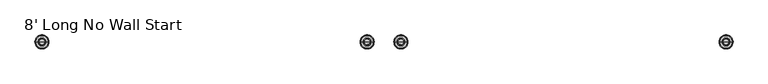
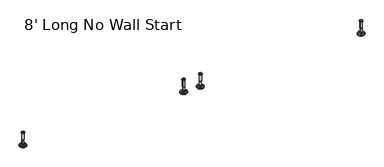
"""IFC4 building model written with IfcOpenShell, lengths in millimetres: furniture geometry, 8' Long No Wall Start."""

from ifc_helpers import new_model, si_unit, frame, origin, place, context, project, spatial, polyline, circle_curve, source, transform, mapped, element, save
from ifc_brep_helpers import plane_surface, cylinder_surface, revolved_surface, advanced_brep


def furniture_8_long_no_wall_start_ca570665(model_context):
    return source(origin(), model_context, "Body", "AdvancedBrep", [
        advanced_brep(
        [(2381.3372135, 0.0, 101.6), (2390.315135, 0.0, 101.6), (2372.3592921, 0.0, 101.6), (2395.4414535, 0.0, 0.0206943), (2381.3372135, 0.0, 0.0206943), (2367.2329736, 0.0, 0.0206943), (2400.3194852, 0.0, 1.4194474), (2362.3549419, 0.0, 1.4194474), (2404.0814003, 0.0, 4.7394056), (2358.5930268, 0.0, 4.7394056), (2405.1988499, 0.0, 7.5051905), (2357.4755772, 0.0, 7.5051905), (2405.1988499, 0.0, 8.3065967), (2357.4755772, 0.0, 8.3065967), (2404.3564467, 0.0, 9.8469348), (2358.3179804, 0.0, 9.8469348), (2403.256304, 0.0, 10.8375077), (2359.4181231, 0.0, 10.8375077), (2395.9526088, 0.0, 12.7338946), (2366.7218183, 0.0, 12.7338946), (2388.5344574, 0.0, 13.3828987), (2374.1399696, 0.0, 13.3828987), (2388.5344574, 0.0, 14.1772758), (2374.1399696, 0.0, 14.1772758), (2386.1376646, 0.0, 14.1772758), (2376.5367625, 0.0, 14.1772758), (2386.1376646, 0.0, 18.8098403), (2376.5367625, 0.0, 18.8098403), (2387.1535173, 0.0, 19.8256929), (2375.5209098, 0.0, 19.8256929), (2387.1535173, 0.0, 48.3056352), (2375.5209098, 0.0, 48.3056352), (2388.3770452, 0.0, 49.9293116), (2374.2973819, 0.0, 49.9293116), (2388.3770452, 0.0, 97.327223), (2374.2973819, 0.0, 97.327223), (2389.2581495, 0.0, 97.6479188), (2373.4162776, 0.0, 97.6479188), (2390.3071385, 0.0, 97.6479188), (2372.3672886, 0.0, 97.6479188), (2391.9721684, 0.0, 98.6092242), (2370.7022587, 0.0, 98.6092242), (2391.9721684, 0.0, 100.6043539), (2370.7022587, 0.0, 100.6043539)],
        [
            (0, 1),
            (1, 2, circle_curve(frame((2381.3372135, 0.0, 101.6), z_axis=(0.0, 0.0, 1.0), x_axis=(-1.0, 0.0, 0.0)), 8.9779214)),
            (2, 0),
            (2, 1, circle_curve(frame((2381.3372135, 0.0, 101.6), z_axis=(0.0, 0.0, 1.0), x_axis=(-1.0, 0.0, 0.0)), 8.9779214)),
            (3, 4),
            (4, 5),
            (5, 3, circle_curve(frame((2381.3372135, 0.0, 0.0206943), z_axis=(0.0, 0.0, -1.0), x_axis=(-1.0, 0.0, 0.0)), 14.1042399)),
            (3, 5, circle_curve(frame((2381.3372135, 0.0, 0.0206943), z_axis=(0.0, 0.0, -1.0), x_axis=(-1.0, 0.0, 0.0)), 14.1042399)),
            (6, 3),
            (5, 7),
            (7, 6, circle_curve(frame((2381.3372135, 0.0, 1.4194474), z_axis=(0.0, 0.0, -1.0), x_axis=(-1.0, 0.0, 0.0)), 18.9822717)),
            (6, 7, circle_curve(frame((2381.3372135, 0.0, 1.4194474), z_axis=(0.0, 0.0, -1.0), x_axis=(-1.0, 0.0, 0.0)), 18.9822717)),
            (8, 6),
            (7, 9),
            (9, 8, circle_curve(frame((2381.3372135, 0.0, 4.7394056), z_axis=(0.0, 0.0, -1.0), x_axis=(-1.0, 0.0, 0.0)), 22.7441867)),
            (8, 9, circle_curve(frame((2381.3372135, 0.0, 4.7394056), z_axis=(0.0, 0.0, -1.0), x_axis=(-1.0, 0.0, 0.0)), 22.7441867)),
            (10, 8),
            (9, 11),
            (11, 10, circle_curve(frame((2381.3372135, 0.0, 7.5051905), z_axis=(0.0, 0.0, -1.0), x_axis=(-1.0, 0.0, 0.0)), 23.8616363)),
            (10, 11, circle_curve(frame((2381.3372135, 0.0, 7.5051905), z_axis=(0.0, 0.0, -1.0), x_axis=(-1.0, 0.0, 0.0)), 23.8616363)),
            (12, 10),
            (11, 13),
            (13, 12, circle_curve(frame((2381.3372135, 0.0, 8.3065967), z_axis=(0.0, 0.0, -1.0), x_axis=(-1.0, 0.0, 0.0)), 23.8616363)),
            (12, 13, circle_curve(frame((2381.3372135, 0.0, 8.3065967), z_axis=(0.0, 0.0, -1.0), x_axis=(-1.0, 0.0, 0.0)), 23.8616363)),
            (14, 12),
            (13, 15),
            (15, 14, circle_curve(frame((2381.3372135, 0.0, 9.8469348), z_axis=(0.0, 0.0, -1.0), x_axis=(-1.0, 0.0, 0.0)), 23.0192331)),
            (14, 15, circle_curve(frame((2381.3372135, 0.0, 9.8469348), z_axis=(0.0, 0.0, -1.0), x_axis=(-1.0, 0.0, 0.0)), 23.0192331)),
            (16, 14),
            (15, 17),
            (17, 16, circle_curve(frame((2381.3372135, 0.0, 10.8375077), z_axis=(0.0, 0.0, -1.0), x_axis=(-1.0, 0.0, 0.0)), 21.9190905)),
            (16, 17, circle_curve(frame((2381.3372135, 0.0, 10.8375077), z_axis=(0.0, 0.0, -1.0), x_axis=(-1.0, 0.0, 0.0)), 21.9190905)),
            (18, 16),
            (17, 19),
            (19, 18, circle_curve(frame((2381.3372135, 0.0, 12.7338946), z_axis=(0.0, 0.0, -1.0), x_axis=(-1.0, 0.0, 0.0)), 14.6153953)),
            (18, 19, circle_curve(frame((2381.3372135, 0.0, 12.7338946), z_axis=(0.0, 0.0, -1.0), x_axis=(-1.0, 0.0, 0.0)), 14.6153953)),
            (20, 18),
            (19, 21),
            (21, 20, circle_curve(frame((2381.3372135, 0.0, 13.3828987), z_axis=(0.0, 0.0, -1.0), x_axis=(-1.0, 0.0, 0.0)), 7.1972439)),
            (20, 21, circle_curve(frame((2381.3372135, 0.0, 13.3828987), z_axis=(0.0, 0.0, -1.0), x_axis=(-1.0, 0.0, 0.0)), 7.1972439)),
            (22, 20),
            (21, 23),
            (23, 22, circle_curve(frame((2381.3372135, 0.0, 14.1772758), z_axis=(0.0, 0.0, -1.0), x_axis=(-1.0, 0.0, 0.0)), 7.1972439)),
            (22, 23, circle_curve(frame((2381.3372135, 0.0, 14.1772758), z_axis=(0.0, 0.0, -1.0), x_axis=(-1.0, 0.0, 0.0)), 7.1972439)),
            (24, 22),
            (23, 25),
            (25, 24, circle_curve(frame((2381.3372135, 0.0, 14.1772758), z_axis=(0.0, 0.0, -1.0), x_axis=(-1.0, 0.0, 0.0)), 4.8004511)),
            (24, 25, circle_curve(frame((2381.3372135, 0.0, 14.1772758), z_axis=(0.0, 0.0, -1.0), x_axis=(-1.0, 0.0, 0.0)), 4.8004511)),
            (26, 24),
            (25, 27),
            (27, 26, circle_curve(frame((2381.3372135, 0.0, 18.8098403), z_axis=(0.0, 0.0, -1.0), x_axis=(-1.0, 0.0, 0.0)), 4.8004511)),
            (26, 27, circle_curve(frame((2381.3372135, 0.0, 18.8098403), z_axis=(0.0, 0.0, -1.0), x_axis=(-1.0, 0.0, 0.0)), 4.8004511)),
            (28, 26),
            (27, 29),
            (29, 28, circle_curve(frame((2381.3372135, 0.0, 19.8256929), z_axis=(0.0, 0.0, -1.0), x_axis=(-1.0, 0.0, 0.0)), 5.8163037)),
            (28, 29, circle_curve(frame((2381.3372135, 0.0, 19.8256929), z_axis=(0.0, 0.0, -1.0), x_axis=(-1.0, 0.0, 0.0)), 5.8163037)),
            (30, 28),
            (29, 31),
            (31, 30, circle_curve(frame((2381.3372135, 0.0, 48.3056352), z_axis=(0.0, 0.0, -1.0), x_axis=(-1.0, 0.0, 0.0)), 5.8163037)),
            (30, 31, circle_curve(frame((2381.3372135, 0.0, 48.3056352), z_axis=(0.0, 0.0, -1.0), x_axis=(-1.0, 0.0, 0.0)), 5.8163037)),
            (32, 30),
            (31, 33),
            (33, 32, circle_curve(frame((2381.3372135, 0.0, 49.9293116), z_axis=(0.0, 0.0, -1.0), x_axis=(-1.0, 0.0, 0.0)), 7.0398316)),
            (32, 33, circle_curve(frame((2381.3372135, 0.0, 49.9293116), z_axis=(0.0, 0.0, -1.0), x_axis=(-1.0, 0.0, 0.0)), 7.0398316)),
            (34, 32),
            (33, 35),
            (35, 34, circle_curve(frame((2381.3372135, 0.0, 97.327223), z_axis=(0.0, 0.0, -1.0), x_axis=(-1.0, 0.0, 0.0)), 7.0398316)),
            (34, 35, circle_curve(frame((2381.3372135, 0.0, 97.327223), z_axis=(0.0, 0.0, -1.0), x_axis=(-1.0, 0.0, 0.0)), 7.0398316)),
            (36, 34),
            (35, 37),
            (37, 36, circle_curve(frame((2381.3372135, 0.0, 97.6479188), z_axis=(0.0, 0.0, -1.0), x_axis=(-1.0, 0.0, 0.0)), 7.920936)),
            (36, 37, circle_curve(frame((2381.3372135, 0.0, 97.6479188), z_axis=(0.0, 0.0, -1.0), x_axis=(-1.0, 0.0, 0.0)), 7.920936)),
            (38, 36),
            (37, 39),
            (39, 38, circle_curve(frame((2381.3372135, 0.0, 97.6479188), z_axis=(0.0, 0.0, -1.0), x_axis=(-1.0, 0.0, 0.0)), 8.9699249)),
            (38, 39, circle_curve(frame((2381.3372135, 0.0, 97.6479188), z_axis=(0.0, 0.0, -1.0), x_axis=(-1.0, 0.0, 0.0)), 8.9699249)),
            (40, 38),
            (39, 41),
            (41, 40, circle_curve(frame((2381.3372135, 0.0, 98.6092242), z_axis=(0.0, 0.0, -1.0), x_axis=(-1.0, 0.0, 0.0)), 10.6349548)),
            (40, 41, circle_curve(frame((2381.3372135, 0.0, 98.6092242), z_axis=(0.0, 0.0, -1.0), x_axis=(-1.0, 0.0, 0.0)), 10.6349548)),
            (42, 40),
            (41, 43),
            (43, 42, circle_curve(frame((2381.3372135, 0.0, 100.6043539), z_axis=(0.0, 0.0, -1.0), x_axis=(-1.0, 0.0, 0.0)), 10.6349548)),
            (42, 43, circle_curve(frame((2381.3372135, 0.0, 100.6043539), z_axis=(0.0, 0.0, -1.0), x_axis=(-1.0, 0.0, 0.0)), 10.6349548)),
            (1, 42),
            (43, 2),
        ],
        [
            plane_surface(frame((2381.3372135, 0.0, 101.6), z_axis=(0.0, 0.0, 1.0), x_axis=(-1.0, 0.0, 0.0))),
            plane_surface(frame((2381.3372135, 0.0, 0.0206943), z_axis=(0.0, 0.0, -1.0), x_axis=(-1.0, 0.0, 0.0))),
            revolved_surface(polyline([(2367.2329736, 0.0, 0.0206943), (2362.3549419, 0.0, 1.4194474)]), (2381.3372135, 0.0, 101.6), (0.0, 0.0, 1.0)),
            revolved_surface(polyline([(2362.3549419, 0.0, 1.4194474), (2358.5930268, 0.0, 4.7394056)]), (2381.3372135, 0.0, 101.6), (0.0, 0.0, 1.0)),
            revolved_surface(polyline([(2358.5930268, 0.0, 4.7394056), (2357.4755772, 0.0, 7.5051905)]), (2381.3372135, 0.0, 101.6), (0.0, 0.0, 1.0)),
            cylinder_surface(frame((2381.3372135, 0.0, 101.6), z_axis=(0.0, 0.0, 1.0), x_axis=(-1.0, 0.0, 0.0)), 23.8616363),
            revolved_surface(polyline([(2357.4755772, 0.0, 8.3065967), (2358.3179804, 0.0, 9.8469348)]), (2381.3372135, 0.0, 101.6), (0.0, 0.0, 1.0)),
            revolved_surface(polyline([(2358.3179804, 0.0, 9.8469348), (2359.4181231, 0.0, 10.8375077)]), (2381.3372135, 0.0, 101.6), (0.0, 0.0, 1.0)),
            revolved_surface(polyline([(2359.4181231, 0.0, 10.8375077), (2366.7218183, 0.0, 12.7338946)]), (2381.3372135, 0.0, 101.6), (0.0, 0.0, 1.0)),
            revolved_surface(polyline([(2366.7218183, 0.0, 12.7338946), (2374.1399696, 0.0, 13.3828987)]), (2381.3372135, 0.0, 101.6), (0.0, 0.0, 1.0)),
            cylinder_surface(frame((2381.3372135, 0.0, 101.6), z_axis=(0.0, 0.0, 1.0), x_axis=(-1.0, 0.0, 0.0)), 7.1972439),
            plane_surface(frame((2381.3372135, 0.0, 14.1772758), z_axis=(0.0, 0.0, 1.0), x_axis=(-1.0, 0.0, 0.0))),
            cylinder_surface(frame((2381.3372135, 0.0, 101.6), z_axis=(0.0, 0.0, 1.0), x_axis=(-1.0, 0.0, 0.0)), 4.8004511),
            revolved_surface(polyline([(2376.5367625, 0.0, 18.8098403), (2375.5209098, 0.0, 19.8256929)]), (2381.3372135, 0.0, 101.6), (0.0, 0.0, 1.0)),
            cylinder_surface(frame((2381.3372135, 0.0, 101.6), z_axis=(0.0, 0.0, 1.0), x_axis=(-1.0, 0.0, 0.0)), 5.8163037),
            revolved_surface(polyline([(2375.5209098, 0.0, 48.3056352), (2374.2973819, 0.0, 49.9293116)]), (2381.3372135, 0.0, 101.6), (0.0, 0.0, 1.0)),
            cylinder_surface(frame((2381.3372135, 0.0, 101.6), z_axis=(0.0, 0.0, 1.0), x_axis=(-1.0, 0.0, 0.0)), 7.0398316),
            revolved_surface(polyline([(2374.2973819, 0.0, 97.327223), (2373.4162776, 0.0, 97.6479188)]), (2381.3372135, 0.0, 101.6), (0.0, 0.0, 1.0)),
            plane_surface(frame((2381.3372135, 0.0, 97.6479188), z_axis=(0.0, 0.0, -1.0), x_axis=(-1.0, 0.0, 0.0))),
            revolved_surface(polyline([(2372.3672886, 0.0, 97.6479188), (2370.7022587, 0.0, 98.6092242)]), (2381.3372135, 0.0, 101.6), (0.0, 0.0, 1.0)),
            cylinder_surface(frame((2381.3372135, 0.0, 101.6), z_axis=(0.0, 0.0, 1.0), x_axis=(-1.0, 0.0, 0.0)), 10.6349548),
            revolved_surface(polyline([(2370.7022587, 0.0, 100.6043539), (2372.3592921, 0.0, 101.6)]), (2381.3372135, 0.0, 101.6), (0.0, 0.0, 1.0)),
        ],
        [
            (0, [[1, 2, 3]]),
            (0, [[-3, 4, -1]]),
            (1, [[5, 6, 7]]),
            (1, [[-6, -5, 8]]),
            (2, [[9, -7, 10, 11]]),
            (2, [[-10, -8, -9, 12]]),
            (3, [[13, -11, 14, 15]]),
            (3, [[-14, -12, -13, 16]]),
            (4, [[17, -15, 18, 19]]),
            (4, [[-18, -16, -17, 20]]),
            (5, [[21, -19, 22, 23]]),
            (5, [[-22, -20, -21, 24]]),
            (6, [[25, -23, 26, 27]]),
            (6, [[-26, -24, -25, 28]]),
            (7, [[29, -27, 30, 31]]),
            (7, [[-30, -28, -29, 32]]),
            (8, [[33, -31, 34, 35]]),
            (8, [[-34, -32, -33, 36]]),
            (9, [[37, -35, 38, 39]]),
            (9, [[-38, -36, -37, 40]]),
            (10, [[41, -39, 42, 43]]),
            (10, [[-42, -40, -41, 44]]),
            (11, [[45, -43, 46, 47]]),
            (11, [[-46, -44, -45, 48]]),
            (12, [[49, -47, 50, 51]]),
            (12, [[-50, -48, -49, 52]]),
            (13, [[53, -51, 54, 55]]),
            (13, [[-54, -52, -53, 56]]),
            (14, [[57, -55, 58, 59]]),
            (14, [[-58, -56, -57, 60]]),
            (15, [[61, -59, 62, 63]]),
            (15, [[-62, -60, -61, 64]]),
            (16, [[65, -63, 66, 67]]),
            (16, [[-66, -64, -65, 68]]),
            (17, [[69, -67, 70, 71]]),
            (17, [[-70, -68, -69, 72]]),
            (18, [[73, -71, 74, 75]]),
            (18, [[-74, -72, -73, 76]]),
            (19, [[77, -75, 78, 79]]),
            (19, [[-78, -76, -77, 80]]),
            (20, [[81, -79, 82, 83]]),
            (20, [[-82, -80, -81, 84]]),
            (21, [[85, -83, 86, -2]]),
            (21, [[-86, -84, -85, -4]]),
        ],
    ),
        advanced_brep(
        [(1276.5364323, 0.0, 101.6), (1285.5143537, 0.0, 101.6), (1267.5585109, 0.0, 101.6), (1290.6406722, 0.0, 0.0206943), (1276.5364323, 0.0, 0.0206943), (1262.4321924, 0.0, 0.0206943), (1295.518704, 0.0, 1.4194474), (1257.5541606, 0.0, 1.4194474), (1299.280619, 0.0, 4.7394056), (1253.7922456, 0.0, 4.7394056), (1300.3980686, 0.0, 7.5051905), (1252.674796, 0.0, 7.5051905), (1300.3980686, 0.0, 8.3065967), (1252.674796, 0.0, 8.3065967), (1299.5556654, 0.0, 9.8469348), (1253.5171992, 0.0, 9.8469348), (1298.4555228, 0.0, 10.8375077), (1254.6173418, 0.0, 10.8375077), (1291.1518276, 0.0, 12.7338946), (1261.921037, 0.0, 12.7338946), (1283.7336762, 0.0, 13.3828987), (1269.3391884, 0.0, 13.3828987), (1283.7336762, 0.0, 14.1772758), (1269.3391884, 0.0, 14.1772758), (1281.3368834, 0.0, 14.1772758), (1271.7359812, 0.0, 14.1772758), (1281.3368834, 0.0, 18.8098403), (1271.7359812, 0.0, 18.8098403), (1282.352736, 0.0, 19.8256929), (1270.7201286, 0.0, 19.8256929), (1282.352736, 0.0, 48.3056352), (1270.7201286, 0.0, 48.3056352), (1283.5762639, 0.0, 49.9293116), (1269.4966007, 0.0, 49.9293116), (1283.5762639, 0.0, 97.327223), (1269.4966007, 0.0, 97.327223), (1284.4573683, 0.0, 97.6479188), (1268.6154963, 0.0, 97.6479188), (1285.5063572, 0.0, 97.6479188), (1267.5665074, 0.0, 97.6479188), (1287.1713871, 0.0, 98.6092242), (1265.9014775, 0.0, 98.6092242), (1287.1713871, 0.0, 100.6043539), (1265.9014775, 0.0, 100.6043539)],
        [
            (0, 1),
            (1, 2, circle_curve(frame((1276.5364323, 0.0, 101.6), z_axis=(0.0, 0.0, 1.0), x_axis=(-1.0, 0.0, 0.0)), 8.9779214)),
            (2, 0),
            (2, 1, circle_curve(frame((1276.5364323, 0.0, 101.6), z_axis=(0.0, 0.0, 1.0), x_axis=(-1.0, 0.0, 0.0)), 8.9779214)),
            (3, 4),
            (4, 5),
            (5, 3, circle_curve(frame((1276.5364323, 0.0, 0.0206943), z_axis=(0.0, 0.0, -1.0), x_axis=(-1.0, 0.0, 0.0)), 14.1042399)),
            (3, 5, circle_curve(frame((1276.5364323, 0.0, 0.0206943), z_axis=(0.0, 0.0, -1.0), x_axis=(-1.0, 0.0, 0.0)), 14.1042399)),
            (6, 3),
            (5, 7),
            (7, 6, circle_curve(frame((1276.5364323, 0.0, 1.4194474), z_axis=(0.0, 0.0, -1.0), x_axis=(-1.0, 0.0, 0.0)), 18.9822717)),
            (6, 7, circle_curve(frame((1276.5364323, 0.0, 1.4194474), z_axis=(0.0, 0.0, -1.0), x_axis=(-1.0, 0.0, 0.0)), 18.9822717)),
            (8, 6),
            (7, 9),
            (9, 8, circle_curve(frame((1276.5364323, 0.0, 4.7394056), z_axis=(0.0, 0.0, -1.0), x_axis=(-1.0, 0.0, 0.0)), 22.7441867)),
            (8, 9, circle_curve(frame((1276.5364323, 0.0, 4.7394056), z_axis=(0.0, 0.0, -1.0), x_axis=(-1.0, 0.0, 0.0)), 22.7441867)),
            (10, 8),
            (9, 11),
            (11, 10, circle_curve(frame((1276.5364323, 0.0, 7.5051905), z_axis=(0.0, 0.0, -1.0), x_axis=(-1.0, 0.0, 0.0)), 23.8616363)),
            (10, 11, circle_curve(frame((1276.5364323, 0.0, 7.5051905), z_axis=(0.0, 0.0, -1.0), x_axis=(-1.0, 0.0, 0.0)), 23.8616363)),
            (12, 10),
            (11, 13),
            (13, 12, circle_curve(frame((1276.5364323, 0.0, 8.3065967), z_axis=(0.0, 0.0, -1.0), x_axis=(-1.0, 0.0, 0.0)), 23.8616363)),
            (12, 13, circle_curve(frame((1276.5364323, 0.0, 8.3065967), z_axis=(0.0, 0.0, -1.0), x_axis=(-1.0, 0.0, 0.0)), 23.8616363)),
            (14, 12),
            (13, 15),
            (15, 14, circle_curve(frame((1276.5364323, 0.0, 9.8469348), z_axis=(0.0, 0.0, -1.0), x_axis=(-1.0, 0.0, 0.0)), 23.0192331)),
            (14, 15, circle_curve(frame((1276.5364323, 0.0, 9.8469348), z_axis=(0.0, 0.0, -1.0), x_axis=(-1.0, 0.0, 0.0)), 23.0192331)),
            (16, 14),
            (15, 17),
            (17, 16, circle_curve(frame((1276.5364323, 0.0, 10.8375077), z_axis=(0.0, 0.0, -1.0), x_axis=(-1.0, 0.0, 0.0)), 21.9190905)),
            (16, 17, circle_curve(frame((1276.5364323, 0.0, 10.8375077), z_axis=(0.0, 0.0, -1.0), x_axis=(-1.0, 0.0, 0.0)), 21.9190905)),
            (18, 16),
            (17, 19),
            (19, 18, circle_curve(frame((1276.5364323, 0.0, 12.7338946), z_axis=(0.0, 0.0, -1.0), x_axis=(-1.0, 0.0, 0.0)), 14.6153953)),
            (18, 19, circle_curve(frame((1276.5364323, 0.0, 12.7338946), z_axis=(0.0, 0.0, -1.0), x_axis=(-1.0, 0.0, 0.0)), 14.6153953)),
            (20, 18),
            (19, 21),
            (21, 20, circle_curve(frame((1276.5364323, 0.0, 13.3828987), z_axis=(0.0, 0.0, -1.0), x_axis=(-1.0, 0.0, 0.0)), 7.1972439)),
            (20, 21, circle_curve(frame((1276.5364323, 0.0, 13.3828987), z_axis=(0.0, 0.0, -1.0), x_axis=(-1.0, 0.0, 0.0)), 7.1972439)),
            (22, 20),
            (21, 23),
            (23, 22, circle_curve(frame((1276.5364323, 0.0, 14.1772758), z_axis=(0.0, 0.0, -1.0), x_axis=(-1.0, 0.0, 0.0)), 7.1972439)),
            (22, 23, circle_curve(frame((1276.5364323, 0.0, 14.1772758), z_axis=(0.0, 0.0, -1.0), x_axis=(-1.0, 0.0, 0.0)), 7.1972439)),
            (24, 22),
            (23, 25),
            (25, 24, circle_curve(frame((1276.5364323, 0.0, 14.1772758), z_axis=(0.0, 0.0, -1.0), x_axis=(-1.0, 0.0, 0.0)), 4.8004511)),
            (24, 25, circle_curve(frame((1276.5364323, 0.0, 14.1772758), z_axis=(0.0, 0.0, -1.0), x_axis=(-1.0, 0.0, 0.0)), 4.8004511)),
            (26, 24),
            (25, 27),
            (27, 26, circle_curve(frame((1276.5364323, 0.0, 18.8098403), z_axis=(0.0, 0.0, -1.0), x_axis=(-1.0, 0.0, 0.0)), 4.8004511)),
            (26, 27, circle_curve(frame((1276.5364323, 0.0, 18.8098403), z_axis=(0.0, 0.0, -1.0), x_axis=(-1.0, 0.0, 0.0)), 4.8004511)),
            (28, 26),
            (27, 29),
            (29, 28, circle_curve(frame((1276.5364323, 0.0, 19.8256929), z_axis=(0.0, 0.0, -1.0), x_axis=(-1.0, 0.0, 0.0)), 5.8163037)),
            (28, 29, circle_curve(frame((1276.5364323, 0.0, 19.8256929), z_axis=(0.0, 0.0, -1.0), x_axis=(-1.0, 0.0, 0.0)), 5.8163037)),
            (30, 28),
            (29, 31),
            (31, 30, circle_curve(frame((1276.5364323, 0.0, 48.3056352), z_axis=(0.0, 0.0, -1.0), x_axis=(-1.0, 0.0, 0.0)), 5.8163037)),
            (30, 31, circle_curve(frame((1276.5364323, 0.0, 48.3056352), z_axis=(0.0, 0.0, -1.0), x_axis=(-1.0, 0.0, 0.0)), 5.8163037)),
            (32, 30),
            (31, 33),
            (33, 32, circle_curve(frame((1276.5364323, 0.0, 49.9293116), z_axis=(0.0, 0.0, -1.0), x_axis=(-1.0, 0.0, 0.0)), 7.0398316)),
            (32, 33, circle_curve(frame((1276.5364323, 0.0, 49.9293116), z_axis=(0.0, 0.0, -1.0), x_axis=(-1.0, 0.0, 0.0)), 7.0398316)),
            (34, 32),
            (33, 35),
            (35, 34, circle_curve(frame((1276.5364323, 0.0, 97.327223), z_axis=(0.0, 0.0, -1.0), x_axis=(-1.0, 0.0, 0.0)), 7.0398316)),
            (34, 35, circle_curve(frame((1276.5364323, 0.0, 97.327223), z_axis=(0.0, 0.0, -1.0), x_axis=(-1.0, 0.0, 0.0)), 7.0398316)),
            (36, 34),
            (35, 37),
            (37, 36, circle_curve(frame((1276.5364323, 0.0, 97.6479188), z_axis=(0.0, 0.0, -1.0), x_axis=(-1.0, 0.0, 0.0)), 7.920936)),
            (36, 37, circle_curve(frame((1276.5364323, 0.0, 97.6479188), z_axis=(0.0, 0.0, -1.0), x_axis=(-1.0, 0.0, 0.0)), 7.920936)),
            (38, 36),
            (37, 39),
            (39, 38, circle_curve(frame((1276.5364323, 0.0, 97.6479188), z_axis=(0.0, 0.0, -1.0), x_axis=(-1.0, 0.0, 0.0)), 8.9699249)),
            (38, 39, circle_curve(frame((1276.5364323, 0.0, 97.6479188), z_axis=(0.0, 0.0, -1.0), x_axis=(-1.0, 0.0, 0.0)), 8.9699249)),
            (40, 38),
            (39, 41),
            (41, 40, circle_curve(frame((1276.5364323, 0.0, 98.6092242), z_axis=(0.0, 0.0, -1.0), x_axis=(-1.0, 0.0, 0.0)), 10.6349548)),
            (40, 41, circle_curve(frame((1276.5364323, 0.0, 98.6092242), z_axis=(0.0, 0.0, -1.0), x_axis=(-1.0, 0.0, 0.0)), 10.6349548)),
            (42, 40),
            (41, 43),
            (43, 42, circle_curve(frame((1276.5364323, 0.0, 100.6043539), z_axis=(0.0, 0.0, -1.0), x_axis=(-1.0, 0.0, 0.0)), 10.6349548)),
            (42, 43, circle_curve(frame((1276.5364323, 0.0, 100.6043539), z_axis=(0.0, 0.0, -1.0), x_axis=(-1.0, 0.0, 0.0)), 10.6349548)),
            (1, 42),
            (43, 2),
        ],
        [
            plane_surface(frame((1276.5364323, 0.0, 101.6), z_axis=(0.0, 0.0, 1.0), x_axis=(-1.0, 0.0, 0.0))),
            plane_surface(frame((1276.5364323, 0.0, 0.0206943), z_axis=(0.0, 0.0, -1.0), x_axis=(-1.0, 0.0, 0.0))),
            revolved_surface(polyline([(1262.4321924, 0.0, 0.0206943), (1257.5541606, 0.0, 1.4194474)]), (1276.5364323, 0.0, 101.6), (0.0, 0.0, 1.0)),
            revolved_surface(polyline([(1257.5541606, 0.0, 1.4194474), (1253.7922456, 0.0, 4.7394056)]), (1276.5364323, 0.0, 101.6), (0.0, 0.0, 1.0)),
            revolved_surface(polyline([(1253.7922456, 0.0, 4.7394056), (1252.674796, 0.0, 7.5051905)]), (1276.5364323, 0.0, 101.6), (0.0, 0.0, 1.0)),
            cylinder_surface(frame((1276.5364323, 0.0, 101.6), z_axis=(0.0, 0.0, 1.0), x_axis=(-1.0, 0.0, 0.0)), 23.8616363),
            revolved_surface(polyline([(1252.674796, 0.0, 8.3065967), (1253.5171992, 0.0, 9.8469348)]), (1276.5364323, 0.0, 101.6), (0.0, 0.0, 1.0)),
            revolved_surface(polyline([(1253.5171992, 0.0, 9.8469348), (1254.6173418, 0.0, 10.8375077)]), (1276.5364323, 0.0, 101.6), (0.0, 0.0, 1.0)),
            revolved_surface(polyline([(1254.6173418, 0.0, 10.8375077), (1261.921037, 0.0, 12.7338946)]), (1276.5364323, 0.0, 101.6), (0.0, 0.0, 1.0)),
            revolved_surface(polyline([(1261.921037, 0.0, 12.7338946), (1269.3391884, 0.0, 13.3828987)]), (1276.5364323, 0.0, 101.6), (0.0, 0.0, 1.0)),
            cylinder_surface(frame((1276.5364323, 0.0, 101.6), z_axis=(0.0, 0.0, 1.0), x_axis=(-1.0, 0.0, 0.0)), 7.1972439),
            plane_surface(frame((1276.5364323, 0.0, 14.1772758), z_axis=(0.0, 0.0, 1.0), x_axis=(-1.0, 0.0, 0.0))),
            cylinder_surface(frame((1276.5364323, 0.0, 101.6), z_axis=(0.0, 0.0, 1.0), x_axis=(-1.0, 0.0, 0.0)), 4.8004511),
            revolved_surface(polyline([(1271.7359812, 0.0, 18.8098403), (1270.7201286, 0.0, 19.8256929)]), (1276.5364323, 0.0, 101.6), (0.0, 0.0, 1.0)),
            cylinder_surface(frame((1276.5364323, 0.0, 101.6), z_axis=(0.0, 0.0, 1.0), x_axis=(-1.0, 0.0, 0.0)), 5.8163037),
            revolved_surface(polyline([(1270.7201286, 0.0, 48.3056352), (1269.4966007, 0.0, 49.9293116)]), (1276.5364323, 0.0, 101.6), (0.0, 0.0, 1.0)),
            cylinder_surface(frame((1276.5364323, 0.0, 101.6), z_axis=(0.0, 0.0, 1.0), x_axis=(-1.0, 0.0, 0.0)), 7.0398316),
            revolved_surface(polyline([(1269.4966007, 0.0, 97.327223), (1268.6154963, 0.0, 97.6479188)]), (1276.5364323, 0.0, 101.6), (0.0, 0.0, 1.0)),
            plane_surface(frame((1276.5364323, 0.0, 97.6479188), z_axis=(0.0, 0.0, -1.0), x_axis=(-1.0, 0.0, 0.0))),
            revolved_surface(polyline([(1267.5665074, 0.0, 97.6479188), (1265.9014775, 0.0, 98.6092242)]), (1276.5364323, 0.0, 101.6), (0.0, 0.0, 1.0)),
            cylinder_surface(frame((1276.5364323, 0.0, 101.6), z_axis=(0.0, 0.0, 1.0), x_axis=(-1.0, 0.0, 0.0)), 10.6349548),
            revolved_surface(polyline([(1265.9014775, 0.0, 100.6043539), (1267.5585109, 0.0, 101.6)]), (1276.5364323, 0.0, 101.6), (0.0, 0.0, 1.0)),
        ],
        [
            (0, [[1, 2, 3]]),
            (0, [[-3, 4, -1]]),
            (1, [[5, 6, 7]]),
            (1, [[-6, -5, 8]]),
            (2, [[9, -7, 10, 11]]),
            (2, [[-10, -8, -9, 12]]),
            (3, [[13, -11, 14, 15]]),
            (3, [[-14, -12, -13, 16]]),
            (4, [[17, -15, 18, 19]]),
            (4, [[-18, -16, -17, 20]]),
            (5, [[21, -19, 22, 23]]),
            (5, [[-22, -20, -21, 24]]),
            (6, [[25, -23, 26, 27]]),
            (6, [[-26, -24, -25, 28]]),
            (7, [[29, -27, 30, 31]]),
            (7, [[-30, -28, -29, 32]]),
            (8, [[33, -31, 34, 35]]),
            (8, [[-34, -32, -33, 36]]),
            (9, [[37, -35, 38, 39]]),
            (9, [[-38, -36, -37, 40]]),
            (10, [[41, -39, 42, 43]]),
            (10, [[-42, -40, -41, 44]]),
            (11, [[45, -43, 46, 47]]),
            (11, [[-46, -44, -45, 48]]),
            (12, [[49, -47, 50, 51]]),
            (12, [[-50, -48, -49, 52]]),
            (13, [[53, -51, 54, 55]]),
            (13, [[-54, -52, -53, 56]]),
            (14, [[57, -55, 58, 59]]),
            (14, [[-58, -56, -57, 60]]),
            (15, [[61, -59, 62, 63]]),
            (15, [[-62, -60, -61, 64]]),
            (16, [[65, -63, 66, 67]]),
            (16, [[-66, -64, -65, 68]]),
            (17, [[69, -67, 70, 71]]),
            (17, [[-70, -68, -69, 72]]),
            (18, [[73, -71, 74, 75]]),
            (18, [[-74, -72, -73, 76]]),
            (19, [[77, -75, 78, 79]]),
            (19, [[-78, -76, -77, 80]]),
            (20, [[81, -79, 82, 83]]),
            (20, [[-82, -80, -81, 84]]),
            (21, [[85, -83, 86, -2]]),
            (21, [[-86, -84, -85, -4]]),
        ],
    ),
        advanced_brep(
        [(1161.8635677, 0.0, 101.6), (1170.8414891, 0.0, 101.6), (1152.8856463, 0.0, 101.6), (1147.7593278, 0.0, 0.0206943), (1175.9678076, 0.0, 0.0206943), (1161.8635677, 0.0, 0.0206943), (1142.881296, 0.0, 1.4194474), (1180.8458394, 0.0, 1.4194474), (1139.119381, 0.0, 4.7394056), (1184.6077544, 0.0, 4.7394056), (1138.0019314, 0.0, 7.5051905), (1185.725204, 0.0, 7.5051905), (1138.0019314, 0.0, 8.3065967), (1185.725204, 0.0, 8.3065967), (1138.8443346, 0.0, 9.8469348), (1184.8828008, 0.0, 9.8469348), (1139.9444772, 0.0, 10.8375077), (1183.7826582, 0.0, 10.8375077), (1147.2481724, 0.0, 12.7338946), (1176.478963, 0.0, 12.7338946), (1154.6663238, 0.0, 13.3828987), (1169.0608116, 0.0, 13.3828987), (1154.6663238, 0.0, 14.1772758), (1169.0608116, 0.0, 14.1772758), (1157.0631166, 0.0, 14.1772758), (1166.6640188, 0.0, 14.1772758), (1157.0631166, 0.0, 18.8098403), (1166.6640188, 0.0, 18.8098403), (1156.047264, 0.0, 19.8256929), (1167.6798714, 0.0, 19.8256929), (1156.047264, 0.0, 48.3056352), (1167.6798714, 0.0, 48.3056352), (1154.8237361, 0.0, 49.9293116), (1168.9033993, 0.0, 49.9293116), (1154.8237361, 0.0, 97.327223), (1168.9033993, 0.0, 97.327223), (1153.9426317, 0.0, 97.6479188), (1169.7845037, 0.0, 97.6479188), (1152.8936428, 0.0, 97.6479188), (1170.8334926, 0.0, 97.6479188), (1151.2286129, 0.0, 98.6092242), (1172.4985225, 0.0, 98.6092242), (1151.2286129, 0.0, 100.6043539), (1172.4985225, 0.0, 100.6043539)],
        [
            (0, 1),
            (1, 2, circle_curve(frame((1161.8635677, 0.0, 101.6), z_axis=(0.0, 0.0, 1.0), x_axis=(1.0, 0.0, 0.0)), 8.9779214)),
            (2, 0),
            (2, 1, circle_curve(frame((1161.8635677, 0.0, 101.6), z_axis=(0.0, 0.0, 1.0), x_axis=(1.0, 0.0, 0.0)), 8.9779214)),
            (3, 4, circle_curve(frame((1161.8635677, 0.0, 0.0206943), z_axis=(0.0, 0.0, -1.0), x_axis=(1.0, 0.0, 0.0)), 14.1042399)),
            (4, 5),
            (5, 3),
            (4, 3, circle_curve(frame((1161.8635677, 0.0, 0.0206943), z_axis=(0.0, 0.0, -1.0), x_axis=(1.0, 0.0, 0.0)), 14.1042399)),
            (6, 7, circle_curve(frame((1161.8635677, 0.0, 1.4194474), z_axis=(0.0, 0.0, -1.0), x_axis=(1.0, 0.0, 0.0)), 18.9822717)),
            (7, 4),
            (3, 6),
            (7, 6, circle_curve(frame((1161.8635677, 0.0, 1.4194474), z_axis=(0.0, 0.0, -1.0), x_axis=(1.0, 0.0, 0.0)), 18.9822717)),
            (8, 9, circle_curve(frame((1161.8635677, 0.0, 4.7394056), z_axis=(0.0, 0.0, -1.0), x_axis=(1.0, 0.0, 0.0)), 22.7441867)),
            (9, 7),
            (6, 8),
            (9, 8, circle_curve(frame((1161.8635677, 0.0, 4.7394056), z_axis=(0.0, 0.0, -1.0), x_axis=(1.0, 0.0, 0.0)), 22.7441867)),
            (10, 11, circle_curve(frame((1161.8635677, 0.0, 7.5051905), z_axis=(0.0, 0.0, -1.0), x_axis=(1.0, 0.0, 0.0)), 23.8616363)),
            (11, 9),
            (8, 10),
            (11, 10, circle_curve(frame((1161.8635677, 0.0, 7.5051905), z_axis=(0.0, 0.0, -1.0), x_axis=(1.0, 0.0, 0.0)), 23.8616363)),
            (12, 13, circle_curve(frame((1161.8635677, 0.0, 8.3065967), z_axis=(0.0, 0.0, -1.0), x_axis=(1.0, 0.0, 0.0)), 23.8616363)),
            (13, 11),
            (10, 12),
            (13, 12, circle_curve(frame((1161.8635677, 0.0, 8.3065967), z_axis=(0.0, 0.0, -1.0), x_axis=(1.0, 0.0, 0.0)), 23.8616363)),
            (14, 15, circle_curve(frame((1161.8635677, 0.0, 9.8469348), z_axis=(0.0, 0.0, -1.0), x_axis=(1.0, 0.0, 0.0)), 23.0192331)),
            (15, 13),
            (12, 14),
            (15, 14, circle_curve(frame((1161.8635677, 0.0, 9.8469348), z_axis=(0.0, 0.0, -1.0), x_axis=(1.0, 0.0, 0.0)), 23.0192331)),
            (16, 17, circle_curve(frame((1161.8635677, 0.0, 10.8375077), z_axis=(0.0, 0.0, -1.0), x_axis=(1.0, 0.0, 0.0)), 21.9190905)),
            (17, 15),
            (14, 16),
            (17, 16, circle_curve(frame((1161.8635677, 0.0, 10.8375077), z_axis=(0.0, 0.0, -1.0), x_axis=(1.0, 0.0, 0.0)), 21.9190905)),
            (18, 19, circle_curve(frame((1161.8635677, 0.0, 12.7338946), z_axis=(0.0, 0.0, -1.0), x_axis=(1.0, 0.0, 0.0)), 14.6153953)),
            (19, 17),
            (16, 18),
            (19, 18, circle_curve(frame((1161.8635677, 0.0, 12.7338946), z_axis=(0.0, 0.0, -1.0), x_axis=(1.0, 0.0, 0.0)), 14.6153953)),
            (20, 21, circle_curve(frame((1161.8635677, 0.0, 13.3828987), z_axis=(0.0, 0.0, -1.0), x_axis=(1.0, 0.0, 0.0)), 7.1972439)),
            (21, 19),
            (18, 20),
            (21, 20, circle_curve(frame((1161.8635677, 0.0, 13.3828987), z_axis=(0.0, 0.0, -1.0), x_axis=(1.0, 0.0, 0.0)), 7.1972439)),
            (22, 23, circle_curve(frame((1161.8635677, 0.0, 14.1772758), z_axis=(0.0, 0.0, -1.0), x_axis=(1.0, 0.0, 0.0)), 7.1972439)),
            (23, 21),
            (20, 22),
            (23, 22, circle_curve(frame((1161.8635677, 0.0, 14.1772758), z_axis=(0.0, 0.0, -1.0), x_axis=(1.0, 0.0, 0.0)), 7.1972439)),
            (24, 25, circle_curve(frame((1161.8635677, 0.0, 14.1772758), z_axis=(0.0, 0.0, -1.0), x_axis=(1.0, 0.0, 0.0)), 4.8004511)),
            (25, 23),
            (22, 24),
            (25, 24, circle_curve(frame((1161.8635677, 0.0, 14.1772758), z_axis=(0.0, 0.0, -1.0), x_axis=(1.0, 0.0, 0.0)), 4.8004511)),
            (26, 27, circle_curve(frame((1161.8635677, 0.0, 18.8098403), z_axis=(0.0, 0.0, -1.0), x_axis=(1.0, 0.0, 0.0)), 4.8004511)),
            (27, 25),
            (24, 26),
            (27, 26, circle_curve(frame((1161.8635677, 0.0, 18.8098403), z_axis=(0.0, 0.0, -1.0), x_axis=(1.0, 0.0, 0.0)), 4.8004511)),
            (28, 29, circle_curve(frame((1161.8635677, 0.0, 19.8256929), z_axis=(0.0, 0.0, -1.0), x_axis=(1.0, 0.0, 0.0)), 5.8163037)),
            (29, 27),
            (26, 28),
            (29, 28, circle_curve(frame((1161.8635677, 0.0, 19.8256929), z_axis=(0.0, 0.0, -1.0), x_axis=(1.0, 0.0, 0.0)), 5.8163037)),
            (30, 31, circle_curve(frame((1161.8635677, 0.0, 48.3056352), z_axis=(0.0, 0.0, -1.0), x_axis=(1.0, 0.0, 0.0)), 5.8163037)),
            (31, 29),
            (28, 30),
            (31, 30, circle_curve(frame((1161.8635677, 0.0, 48.3056352), z_axis=(0.0, 0.0, -1.0), x_axis=(1.0, 0.0, 0.0)), 5.8163037)),
            (32, 33, circle_curve(frame((1161.8635677, 0.0, 49.9293116), z_axis=(0.0, 0.0, -1.0), x_axis=(1.0, 0.0, 0.0)), 7.0398316)),
            (33, 31),
            (30, 32),
            (33, 32, circle_curve(frame((1161.8635677, 0.0, 49.9293116), z_axis=(0.0, 0.0, -1.0), x_axis=(1.0, 0.0, 0.0)), 7.0398316)),
            (34, 35, circle_curve(frame((1161.8635677, 0.0, 97.327223), z_axis=(0.0, 0.0, -1.0), x_axis=(1.0, 0.0, 0.0)), 7.0398316)),
            (35, 33),
            (32, 34),
            (35, 34, circle_curve(frame((1161.8635677, 0.0, 97.327223), z_axis=(0.0, 0.0, -1.0), x_axis=(1.0, 0.0, 0.0)), 7.0398316)),
            (36, 37, circle_curve(frame((1161.8635677, 0.0, 97.6479188), z_axis=(0.0, 0.0, -1.0), x_axis=(1.0, 0.0, 0.0)), 7.920936)),
            (37, 35),
            (34, 36),
            (37, 36, circle_curve(frame((1161.8635677, 0.0, 97.6479188), z_axis=(0.0, 0.0, -1.0), x_axis=(1.0, 0.0, 0.0)), 7.920936)),
            (38, 39, circle_curve(frame((1161.8635677, 0.0, 97.6479188), z_axis=(0.0, 0.0, -1.0), x_axis=(1.0, 0.0, 0.0)), 8.9699249)),
            (39, 37),
            (36, 38),
            (39, 38, circle_curve(frame((1161.8635677, 0.0, 97.6479188), z_axis=(0.0, 0.0, -1.0), x_axis=(1.0, 0.0, 0.0)), 8.9699249)),
            (40, 41, circle_curve(frame((1161.8635677, 0.0, 98.6092242), z_axis=(0.0, 0.0, -1.0), x_axis=(1.0, 0.0, 0.0)), 10.6349548)),
            (41, 39),
            (38, 40),
            (41, 40, circle_curve(frame((1161.8635677, 0.0, 98.6092242), z_axis=(0.0, 0.0, -1.0), x_axis=(1.0, 0.0, 0.0)), 10.6349548)),
            (42, 43, circle_curve(frame((1161.8635677, 0.0, 100.6043539), z_axis=(0.0, 0.0, -1.0), x_axis=(1.0, 0.0, 0.0)), 10.6349548)),
            (43, 41),
            (40, 42),
            (43, 42, circle_curve(frame((1161.8635677, 0.0, 100.6043539), z_axis=(0.0, 0.0, -1.0), x_axis=(1.0, 0.0, 0.0)), 10.6349548)),
            (1, 43),
            (42, 2),
        ],
        [
            plane_surface(frame((1161.8635677, 0.0, 101.6), z_axis=(0.0, 0.0, 1.0), x_axis=(1.0, 0.0, 0.0))),
            plane_surface(frame((1161.8635677, 0.0, 0.0206943), z_axis=(0.0, 0.0, -1.0), x_axis=(1.0, 0.0, 0.0))),
            revolved_surface(polyline([(1175.9678076, 0.0, 0.0206943), (1180.8458394, 0.0, 1.4194474)]), (1161.8635677, 0.0, 101.6), (0.0, 0.0, 1.0)),
            revolved_surface(polyline([(1180.8458394, 0.0, 1.4194474), (1184.6077544, 0.0, 4.7394056)]), (1161.8635677, 0.0, 101.6), (0.0, 0.0, 1.0)),
            revolved_surface(polyline([(1184.6077544, 0.0, 4.7394056), (1185.725204, 0.0, 7.5051905)]), (1161.8635677, 0.0, 101.6), (0.0, 0.0, 1.0)),
            cylinder_surface(frame((1161.8635677, 0.0, 101.6), z_axis=(0.0, 0.0, 1.0), x_axis=(1.0, 0.0, 0.0)), 23.8616363),
            revolved_surface(polyline([(1185.725204, 0.0, 8.3065967), (1184.8828008, 0.0, 9.8469348)]), (1161.8635677, 0.0, 101.6), (0.0, 0.0, 1.0)),
            revolved_surface(polyline([(1184.8828008, 0.0, 9.8469348), (1183.7826582, 0.0, 10.8375077)]), (1161.8635677, 0.0, 101.6), (0.0, 0.0, 1.0)),
            revolved_surface(polyline([(1183.7826582, 0.0, 10.8375077), (1176.478963, 0.0, 12.7338946)]), (1161.8635677, 0.0, 101.6), (0.0, 0.0, 1.0)),
            revolved_surface(polyline([(1176.478963, 0.0, 12.7338946), (1169.0608116, 0.0, 13.3828987)]), (1161.8635677, 0.0, 101.6), (0.0, 0.0, 1.0)),
            cylinder_surface(frame((1161.8635677, 0.0, 101.6), z_axis=(0.0, 0.0, 1.0), x_axis=(1.0, 0.0, 0.0)), 7.1972439),
            plane_surface(frame((1161.8635677, 0.0, 14.1772758), z_axis=(0.0, 0.0, 1.0), x_axis=(1.0, 0.0, 0.0))),
            cylinder_surface(frame((1161.8635677, 0.0, 101.6), z_axis=(0.0, 0.0, 1.0), x_axis=(1.0, 0.0, 0.0)), 4.8004511),
            revolved_surface(polyline([(1166.6640188, 0.0, 18.8098403), (1167.6798714, 0.0, 19.8256929)]), (1161.8635677, 0.0, 101.6), (0.0, 0.0, 1.0)),
            cylinder_surface(frame((1161.8635677, 0.0, 101.6), z_axis=(0.0, 0.0, 1.0), x_axis=(1.0, 0.0, 0.0)), 5.8163037),
            revolved_surface(polyline([(1167.6798714, 0.0, 48.3056352), (1168.9033993, 0.0, 49.9293116)]), (1161.8635677, 0.0, 101.6), (0.0, 0.0, 1.0)),
            cylinder_surface(frame((1161.8635677, 0.0, 101.6), z_axis=(0.0, 0.0, 1.0), x_axis=(1.0, 0.0, 0.0)), 7.0398316),
            revolved_surface(polyline([(1168.9033993, 0.0, 97.327223), (1169.7845037, 0.0, 97.6479188)]), (1161.8635677, 0.0, 101.6), (0.0, 0.0, 1.0)),
            plane_surface(frame((1161.8635677, 0.0, 97.6479188), z_axis=(0.0, 0.0, -1.0), x_axis=(1.0, 0.0, 0.0))),
            revolved_surface(polyline([(1170.8334926, 0.0, 97.6479188), (1172.4985225, 0.0, 98.6092242)]), (1161.8635677, 0.0, 101.6), (0.0, 0.0, 1.0)),
            cylinder_surface(frame((1161.8635677, 0.0, 101.6), z_axis=(0.0, 0.0, 1.0), x_axis=(1.0, 0.0, 0.0)), 10.6349548),
            revolved_surface(polyline([(1172.4985225, 0.0, 100.6043539), (1170.8414891, 0.0, 101.6)]), (1161.8635677, 0.0, 101.6), (0.0, 0.0, 1.0)),
        ],
        [
            (0, [[1, 2, 3]]),
            (0, [[-3, 4, -1]]),
            (1, [[5, 6, 7]]),
            (1, [[8, -7, -6]]),
            (2, [[9, 10, -5, 11]]),
            (2, [[12, -11, -8, -10]]),
            (3, [[13, 14, -9, 15]]),
            (3, [[16, -15, -12, -14]]),
            (4, [[17, 18, -13, 19]]),
            (4, [[20, -19, -16, -18]]),
            (5, [[21, 22, -17, 23]]),
            (5, [[24, -23, -20, -22]]),
            (6, [[25, 26, -21, 27]]),
            (6, [[28, -27, -24, -26]]),
            (7, [[29, 30, -25, 31]]),
            (7, [[32, -31, -28, -30]]),
            (8, [[33, 34, -29, 35]]),
            (8, [[36, -35, -32, -34]]),
            (9, [[37, 38, -33, 39]]),
            (9, [[40, -39, -36, -38]]),
            (10, [[41, 42, -37, 43]]),
            (10, [[44, -43, -40, -42]]),
            (11, [[45, 46, -41, 47]]),
            (11, [[48, -47, -44, -46]]),
            (12, [[49, 50, -45, 51]]),
            (12, [[52, -51, -48, -50]]),
            (13, [[53, 54, -49, 55]]),
            (13, [[56, -55, -52, -54]]),
            (14, [[57, 58, -53, 59]]),
            (14, [[60, -59, -56, -58]]),
            (15, [[61, 62, -57, 63]]),
            (15, [[64, -63, -60, -62]]),
            (16, [[65, 66, -61, 67]]),
            (16, [[68, -67, -64, -66]]),
            (17, [[69, 70, -65, 71]]),
            (17, [[72, -71, -68, -70]]),
            (18, [[73, 74, -69, 75]]),
            (18, [[76, -75, -72, -74]]),
            (19, [[77, 78, -73, 79]]),
            (19, [[80, -79, -76, -78]]),
            (20, [[81, 82, -77, 83]]),
            (20, [[84, -83, -80, -82]]),
            (21, [[-2, 85, -81, 86]]),
            (21, [[-4, -86, -84, -85]]),
        ],
    ),
        advanced_brep(
        [(57.0627865, 0.0, 101.6), (66.0407079, 0.0, 101.6), (48.084865, 0.0, 101.6), (42.9585465, 0.0, 0.0206943), (71.1670264, 0.0, 0.0206943), (57.0627865, 0.0, 0.0206943), (38.0805148, 0.0, 1.4194474), (76.0450581, 0.0, 1.4194474), (34.3185997, 0.0, 4.7394056), (79.8069732, 0.0, 4.7394056), (33.2011501, 0.0, 7.5051905), (80.9244228, 0.0, 7.5051905), (33.2011501, 0.0, 8.3065967), (80.9244228, 0.0, 8.3065967), (34.0435533, 0.0, 9.8469348), (80.0820196, 0.0, 9.8469348), (35.143696, 0.0, 10.8375077), (78.9818769, 0.0, 10.8375077), (42.4473912, 0.0, 12.7338946), (71.6781817, 0.0, 12.7338946), (49.8655426, 0.0, 13.3828987), (64.2600304, 0.0, 13.3828987), (49.8655426, 0.0, 14.1772758), (64.2600304, 0.0, 14.1772758), (52.2623354, 0.0, 14.1772758), (61.8632375, 0.0, 14.1772758), (52.2623354, 0.0, 18.8098403), (61.8632375, 0.0, 18.8098403), (51.2464827, 0.0, 19.8256929), (62.8790902, 0.0, 19.8256929), (51.2464827, 0.0, 48.3056352), (62.8790902, 0.0, 48.3056352), (50.0229548, 0.0, 49.9293116), (64.1026181, 0.0, 49.9293116), (50.0229548, 0.0, 97.327223), (64.1026181, 0.0, 97.327223), (49.1418505, 0.0, 97.6479188), (64.9837224, 0.0, 97.6479188), (48.0928615, 0.0, 97.6479188), (66.0327114, 0.0, 97.6479188), (46.4278316, 0.0, 98.6092242), (67.6977413, 0.0, 98.6092242), (46.4278316, 0.0, 100.6043539), (67.6977413, 0.0, 100.6043539)],
        [
            (0, 1),
            (1, 2, circle_curve(frame((57.0627865, 0.0, 101.6), z_axis=(0.0, 0.0, 1.0), x_axis=(1.0, 0.0, 0.0)), 8.9779214)),
            (2, 0),
            (2, 1, circle_curve(frame((57.0627865, 0.0, 101.6), z_axis=(0.0, 0.0, 1.0), x_axis=(1.0, 0.0, 0.0)), 8.9779214)),
            (3, 4, circle_curve(frame((57.0627865, 0.0, 0.0206943), z_axis=(0.0, 0.0, -1.0), x_axis=(1.0, 0.0, 0.0)), 14.1042399)),
            (4, 5),
            (5, 3),
            (4, 3, circle_curve(frame((57.0627865, 0.0, 0.0206943), z_axis=(0.0, 0.0, -1.0), x_axis=(1.0, 0.0, 0.0)), 14.1042399)),
            (6, 7, circle_curve(frame((57.0627865, 0.0, 1.4194474), z_axis=(0.0, 0.0, -1.0), x_axis=(1.0, 0.0, 0.0)), 18.9822717)),
            (7, 4),
            (3, 6),
            (7, 6, circle_curve(frame((57.0627865, 0.0, 1.4194474), z_axis=(0.0, 0.0, -1.0), x_axis=(1.0, 0.0, 0.0)), 18.9822717)),
            (8, 9, circle_curve(frame((57.0627865, 0.0, 4.7394056), z_axis=(0.0, 0.0, -1.0), x_axis=(1.0, 0.0, 0.0)), 22.7441867)),
            (9, 7),
            (6, 8),
            (9, 8, circle_curve(frame((57.0627865, 0.0, 4.7394056), z_axis=(0.0, 0.0, -1.0), x_axis=(1.0, 0.0, 0.0)), 22.7441867)),
            (10, 11, circle_curve(frame((57.0627865, 0.0, 7.5051905), z_axis=(0.0, 0.0, -1.0), x_axis=(1.0, 0.0, 0.0)), 23.8616363)),
            (11, 9),
            (8, 10),
            (11, 10, circle_curve(frame((57.0627865, 0.0, 7.5051905), z_axis=(0.0, 0.0, -1.0), x_axis=(1.0, 0.0, 0.0)), 23.8616363)),
            (12, 13, circle_curve(frame((57.0627865, 0.0, 8.3065967), z_axis=(0.0, 0.0, -1.0), x_axis=(1.0, 0.0, 0.0)), 23.8616363)),
            (13, 11),
            (10, 12),
            (13, 12, circle_curve(frame((57.0627865, 0.0, 8.3065967), z_axis=(0.0, 0.0, -1.0), x_axis=(1.0, 0.0, 0.0)), 23.8616363)),
            (14, 15, circle_curve(frame((57.0627865, 0.0, 9.8469348), z_axis=(0.0, 0.0, -1.0), x_axis=(1.0, 0.0, 0.0)), 23.0192331)),
            (15, 13),
            (12, 14),
            (15, 14, circle_curve(frame((57.0627865, 0.0, 9.8469348), z_axis=(0.0, 0.0, -1.0), x_axis=(1.0, 0.0, 0.0)), 23.0192331)),
            (16, 17, circle_curve(frame((57.0627865, 0.0, 10.8375077), z_axis=(0.0, 0.0, -1.0), x_axis=(1.0, 0.0, 0.0)), 21.9190905)),
            (17, 15),
            (14, 16),
            (17, 16, circle_curve(frame((57.0627865, 0.0, 10.8375077), z_axis=(0.0, 0.0, -1.0), x_axis=(1.0, 0.0, 0.0)), 21.9190905)),
            (18, 19, circle_curve(frame((57.0627865, 0.0, 12.7338946), z_axis=(0.0, 0.0, -1.0), x_axis=(1.0, 0.0, 0.0)), 14.6153953)),
            (19, 17),
            (16, 18),
            (19, 18, circle_curve(frame((57.0627865, 0.0, 12.7338946), z_axis=(0.0, 0.0, -1.0), x_axis=(1.0, 0.0, 0.0)), 14.6153953)),
            (20, 21, circle_curve(frame((57.0627865, 0.0, 13.3828987), z_axis=(0.0, 0.0, -1.0), x_axis=(1.0, 0.0, 0.0)), 7.1972439)),
            (21, 19),
            (18, 20),
            (21, 20, circle_curve(frame((57.0627865, 0.0, 13.3828987), z_axis=(0.0, 0.0, -1.0), x_axis=(1.0, 0.0, 0.0)), 7.1972439)),
            (22, 23, circle_curve(frame((57.0627865, 0.0, 14.1772758), z_axis=(0.0, 0.0, -1.0), x_axis=(1.0, 0.0, 0.0)), 7.1972439)),
            (23, 21),
            (20, 22),
            (23, 22, circle_curve(frame((57.0627865, 0.0, 14.1772758), z_axis=(0.0, 0.0, -1.0), x_axis=(1.0, 0.0, 0.0)), 7.1972439)),
            (24, 25, circle_curve(frame((57.0627865, 0.0, 14.1772758), z_axis=(0.0, 0.0, -1.0), x_axis=(1.0, 0.0, 0.0)), 4.8004511)),
            (25, 23),
            (22, 24),
            (25, 24, circle_curve(frame((57.0627865, 0.0, 14.1772758), z_axis=(0.0, 0.0, -1.0), x_axis=(1.0, 0.0, 0.0)), 4.8004511)),
            (26, 27, circle_curve(frame((57.0627865, 0.0, 18.8098403), z_axis=(0.0, 0.0, -1.0), x_axis=(1.0, 0.0, 0.0)), 4.8004511)),
            (27, 25),
            (24, 26),
            (27, 26, circle_curve(frame((57.0627865, 0.0, 18.8098403), z_axis=(0.0, 0.0, -1.0), x_axis=(1.0, 0.0, 0.0)), 4.8004511)),
            (28, 29, circle_curve(frame((57.0627865, 0.0, 19.8256929), z_axis=(0.0, 0.0, -1.0), x_axis=(1.0, 0.0, 0.0)), 5.8163037)),
            (29, 27),
            (26, 28),
            (29, 28, circle_curve(frame((57.0627865, 0.0, 19.8256929), z_axis=(0.0, 0.0, -1.0), x_axis=(1.0, 0.0, 0.0)), 5.8163037)),
            (30, 31, circle_curve(frame((57.0627865, 0.0, 48.3056352), z_axis=(0.0, 0.0, -1.0), x_axis=(1.0, 0.0, 0.0)), 5.8163037)),
            (31, 29),
            (28, 30),
            (31, 30, circle_curve(frame((57.0627865, 0.0, 48.3056352), z_axis=(0.0, 0.0, -1.0), x_axis=(1.0, 0.0, 0.0)), 5.8163037)),
            (32, 33, circle_curve(frame((57.0627865, 0.0, 49.9293116), z_axis=(0.0, 0.0, -1.0), x_axis=(1.0, 0.0, 0.0)), 7.0398316)),
            (33, 31),
            (30, 32),
            (33, 32, circle_curve(frame((57.0627865, 0.0, 49.9293116), z_axis=(0.0, 0.0, -1.0), x_axis=(1.0, 0.0, 0.0)), 7.0398316)),
            (34, 35, circle_curve(frame((57.0627865, 0.0, 97.327223), z_axis=(0.0, 0.0, -1.0), x_axis=(1.0, 0.0, 0.0)), 7.0398316)),
            (35, 33),
            (32, 34),
            (35, 34, circle_curve(frame((57.0627865, 0.0, 97.327223), z_axis=(0.0, 0.0, -1.0), x_axis=(1.0, 0.0, 0.0)), 7.0398316)),
            (36, 37, circle_curve(frame((57.0627865, 0.0, 97.6479188), z_axis=(0.0, 0.0, -1.0), x_axis=(1.0, 0.0, 0.0)), 7.920936)),
            (37, 35),
            (34, 36),
            (37, 36, circle_curve(frame((57.0627865, 0.0, 97.6479188), z_axis=(0.0, 0.0, -1.0), x_axis=(1.0, 0.0, 0.0)), 7.920936)),
            (38, 39, circle_curve(frame((57.0627865, 0.0, 97.6479188), z_axis=(0.0, 0.0, -1.0), x_axis=(1.0, 0.0, 0.0)), 8.9699249)),
            (39, 37),
            (36, 38),
            (39, 38, circle_curve(frame((57.0627865, 0.0, 97.6479188), z_axis=(0.0, 0.0, -1.0), x_axis=(1.0, 0.0, 0.0)), 8.9699249)),
            (40, 41, circle_curve(frame((57.0627865, 0.0, 98.6092242), z_axis=(0.0, 0.0, -1.0), x_axis=(1.0, 0.0, 0.0)), 10.6349548)),
            (41, 39),
            (38, 40),
            (41, 40, circle_curve(frame((57.0627865, 0.0, 98.6092242), z_axis=(0.0, 0.0, -1.0), x_axis=(1.0, 0.0, 0.0)), 10.6349548)),
            (42, 43, circle_curve(frame((57.0627865, 0.0, 100.6043539), z_axis=(0.0, 0.0, -1.0), x_axis=(1.0, 0.0, 0.0)), 10.6349548)),
            (43, 41),
            (40, 42),
            (43, 42, circle_curve(frame((57.0627865, 0.0, 100.6043539), z_axis=(0.0, 0.0, -1.0), x_axis=(1.0, 0.0, 0.0)), 10.6349548)),
            (1, 43),
            (42, 2),
        ],
        [
            plane_surface(frame((57.0627865, 0.0, 101.6), z_axis=(0.0, 0.0, 1.0), x_axis=(1.0, 0.0, 0.0))),
            plane_surface(frame((57.0627865, 0.0, 0.0206943), z_axis=(0.0, 0.0, -1.0), x_axis=(1.0, 0.0, 0.0))),
            revolved_surface(polyline([(71.1670264, 0.0, 0.0206943), (76.0450581, 0.0, 1.4194474)]), (57.0627865, 0.0, 101.6), (0.0, 0.0, 1.0)),
            revolved_surface(polyline([(76.0450581, 0.0, 1.4194474), (79.8069732, 0.0, 4.7394056)]), (57.0627865, 0.0, 101.6), (0.0, 0.0, 1.0)),
            revolved_surface(polyline([(79.8069732, 0.0, 4.7394056), (80.9244228, 0.0, 7.5051905)]), (57.0627865, 0.0, 101.6), (0.0, 0.0, 1.0)),
            cylinder_surface(frame((57.0627865, 0.0, 101.6), z_axis=(0.0, 0.0, 1.0), x_axis=(1.0, 0.0, 0.0)), 23.8616363),
            revolved_surface(polyline([(80.9244228, 0.0, 8.3065967), (80.0820196, 0.0, 9.8469348)]), (57.0627865, 0.0, 101.6), (0.0, 0.0, 1.0)),
            revolved_surface(polyline([(80.0820196, 0.0, 9.8469348), (78.9818769, 0.0, 10.8375077)]), (57.0627865, 0.0, 101.6), (0.0, 0.0, 1.0)),
            revolved_surface(polyline([(78.9818769, 0.0, 10.8375077), (71.6781817, 0.0, 12.7338946)]), (57.0627865, 0.0, 101.6), (0.0, 0.0, 1.0)),
            revolved_surface(polyline([(71.6781817, 0.0, 12.7338946), (64.2600304, 0.0, 13.3828987)]), (57.0627865, 0.0, 101.6), (0.0, 0.0, 1.0)),
            cylinder_surface(frame((57.0627865, 0.0, 101.6), z_axis=(0.0, 0.0, 1.0), x_axis=(1.0, 0.0, 0.0)), 7.1972439),
            plane_surface(frame((57.0627865, 0.0, 14.1772758), z_axis=(0.0, 0.0, 1.0), x_axis=(1.0, 0.0, 0.0))),
            cylinder_surface(frame((57.0627865, 0.0, 101.6), z_axis=(0.0, 0.0, 1.0), x_axis=(1.0, 0.0, 0.0)), 4.8004511),
            revolved_surface(polyline([(61.8632375, 0.0, 18.8098403), (62.8790902, 0.0, 19.8256929)]), (57.0627865, 0.0, 101.6), (0.0, 0.0, 1.0)),
            cylinder_surface(frame((57.0627865, 0.0, 101.6), z_axis=(0.0, 0.0, 1.0), x_axis=(1.0, 0.0, 0.0)), 5.8163037),
            revolved_surface(polyline([(62.8790902, 0.0, 48.3056352), (64.1026181, 0.0, 49.9293116)]), (57.0627865, 0.0, 101.6), (0.0, 0.0, 1.0)),
            cylinder_surface(frame((57.0627865, 0.0, 101.6), z_axis=(0.0, 0.0, 1.0), x_axis=(1.0, 0.0, 0.0)), 7.0398316),
            revolved_surface(polyline([(64.1026181, 0.0, 97.327223), (64.9837224, 0.0, 97.6479188)]), (57.0627865, 0.0, 101.6), (0.0, 0.0, 1.0)),
            plane_surface(frame((57.0627865, 0.0, 97.6479188), z_axis=(0.0, 0.0, -1.0), x_axis=(1.0, 0.0, 0.0))),
            revolved_surface(polyline([(66.0327114, 0.0, 97.6479188), (67.6977413, 0.0, 98.6092242)]), (57.0627865, 0.0, 101.6), (0.0, 0.0, 1.0)),
            cylinder_surface(frame((57.0627865, 0.0, 101.6), z_axis=(0.0, 0.0, 1.0), x_axis=(1.0, 0.0, 0.0)), 10.6349548),
            revolved_surface(polyline([(67.6977413, 0.0, 100.6043539), (66.0407079, 0.0, 101.6)]), (57.0627865, 0.0, 101.6), (0.0, 0.0, 1.0)),
        ],
        [
            (0, [[1, 2, 3]]),
            (0, [[-3, 4, -1]]),
            (1, [[5, 6, 7]]),
            (1, [[8, -7, -6]]),
            (2, [[9, 10, -5, 11]]),
            (2, [[12, -11, -8, -10]]),
            (3, [[13, 14, -9, 15]]),
            (3, [[16, -15, -12, -14]]),
            (4, [[17, 18, -13, 19]]),
            (4, [[20, -19, -16, -18]]),
            (5, [[21, 22, -17, 23]]),
            (5, [[24, -23, -20, -22]]),
            (6, [[25, 26, -21, 27]]),
            (6, [[28, -27, -24, -26]]),
            (7, [[29, 30, -25, 31]]),
            (7, [[32, -31, -28, -30]]),
            (8, [[33, 34, -29, 35]]),
            (8, [[36, -35, -32, -34]]),
            (9, [[37, 38, -33, 39]]),
            (9, [[40, -39, -36, -38]]),
            (10, [[41, 42, -37, 43]]),
            (10, [[44, -43, -40, -42]]),
            (11, [[45, 46, -41, 47]]),
            (11, [[48, -47, -44, -46]]),
            (12, [[49, 50, -45, 51]]),
            (12, [[52, -51, -48, -50]]),
            (13, [[53, 54, -49, 55]]),
            (13, [[56, -55, -52, -54]]),
            (14, [[57, 58, -53, 59]]),
            (14, [[60, -59, -56, -58]]),
            (15, [[61, 62, -57, 63]]),
            (15, [[64, -63, -60, -62]]),
            (16, [[65, 66, -61, 67]]),
            (16, [[68, -67, -64, -66]]),
            (17, [[69, 70, -65, 71]]),
            (17, [[72, -71, -68, -70]]),
            (18, [[73, 74, -69, 75]]),
            (18, [[76, -75, -72, -74]]),
            (19, [[77, 78, -73, 79]]),
            (19, [[80, -79, -76, -78]]),
            (20, [[81, 82, -77, 83]]),
            (20, [[84, -83, -80, -82]]),
            (21, [[-2, 85, -81, 86]]),
            (21, [[-4, -86, -84, -85]]),
        ],
    ),
    ])


if __name__ == "__main__":
    model = new_model("IFC4")
    model_context = context("Model", 3, world=origin())
    ifc_project = project(units=[si_unit("LENGTHUNIT", "METRE", prefix="MILLI")], contexts=[model_context])
    site = spatial("IfcSite", under=ifc_project)
    building = spatial("IfcBuilding", under=site)
    placement = place(None, origin())
    furniture_8_long_no_wall_start_shape = furniture_8_long_no_wall_start_ca570665(model_context)
    element("IfcFurniture", 1, ObjectType="8' Long No Wall Start", at=placement, inside=building, context=model_context, shape_type="MappedRepresentation", body=[
        mapped(furniture_8_long_no_wall_start_shape, transform((0.0, 0.0, 0.0), x_axis=(1.0, 0.0, 0.0), y_axis=(0.0, 1.0, 0.0), z_axis=(0.0, 0.0, 1.0))),
    ])
    save(model, "model.ifc")
